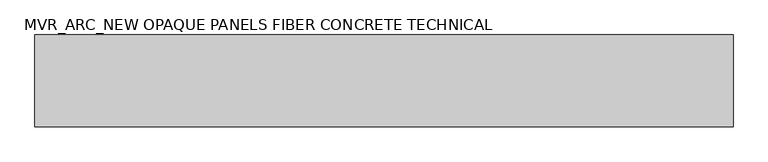
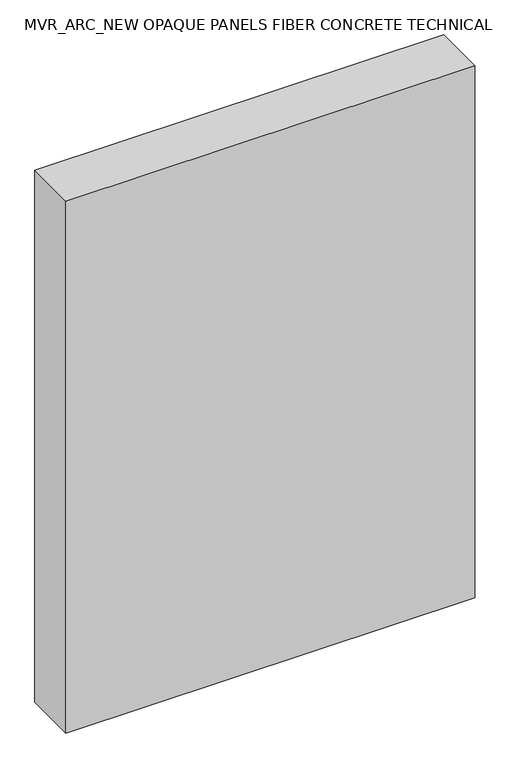
"""IFC4 building model written with IfcOpenShell, lengths in millimetres: plate geometry, MVR_ARC_NEW OPAQUE PANELS FIBER CONCRETE TECHNICAL."""

from ifc_helpers import new_model, si_unit, origin, origin_with_axes, place, context, project, spatial, polyline, outline, extrude, source, transform, mapped, element, save


def mvr_arc_new_opaque_panels_fiber_concrete_technical_813e243f(model_context):
    return source(origin(), model_context, "Body", "SweptSolid", [
        extrude(outline(polyline([(800.0, -150.0), (-800.0, -150.0), (-800.0, 60.0), (800.0, 60.0), (800.0, -150.0)])), origin_with_axes(), (0.0, 0.0, 1.0), 2200.0),
    ])


if __name__ == "__main__":
    model = new_model("IFC4")
    model_context = context("Model", 3, world=origin())
    ifc_project = project(units=[si_unit("LENGTHUNIT", "METRE", prefix="MILLI")], contexts=[model_context])
    site = spatial("IfcSite", under=ifc_project)
    building = spatial("IfcBuilding", under=site)
    placement = place(None, origin())
    mvr_arc_new_opaque_panels_fiber_concrete_technical_shape = mvr_arc_new_opaque_panels_fiber_concrete_technical_813e243f(model_context)
    element("IfcPlate", 1, ObjectType="MVR_ARC_NEW OPAQUE PANELS FIBER CONCRETE TECHNICAL", at=placement, inside=building, context=model_context, shape_type="MappedRepresentation", body=[
        mapped(mvr_arc_new_opaque_panels_fiber_concrete_technical_shape, transform((0.0, 0.0, 0.0), x_axis=(1.0, 0.0, 0.0), y_axis=(0.0, 1.0, 0.0), z_axis=(0.0, 0.0, 1.0))),
    ])
    save(model, "model.ifc")
